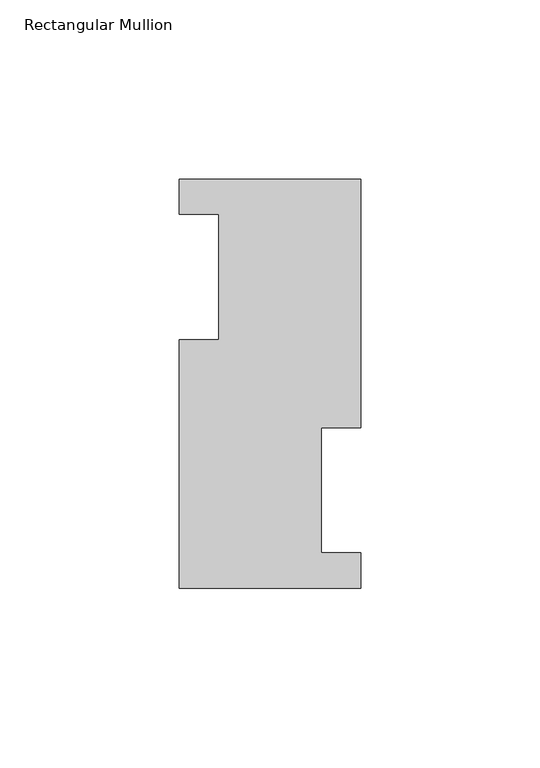
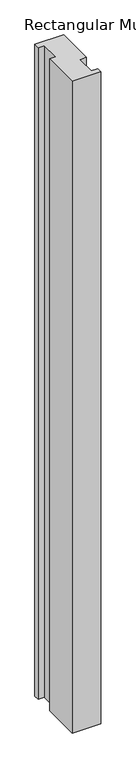
"""IFC4 building model written with IfcOpenShell, lengths in millimetres: member geometry, Rectangular Mullion."""

from ifc_helpers import new_model, si_unit, frame, origin, place, context, project, spatial, polyline, outline, extrude, source, transform, mapped, element, save


def rectangular_mullion_8200c396(model_context):
    return source(origin(), model_context, "Body", "SweptSolid", [
        extrude(outline(polyline([(25.4, 114.0729875), (25.4, 44.6039875), (14.2875, 44.6039875), (14.2875, 9.6789875), (25.4, 9.6789875), (25.4, -0.2270125), (-25.4, -0.2270125), (-25.4, 69.2419875), (-14.2875, 69.2419875), (-14.2875, 104.1669875), (-25.4, 104.1669875), (-25.4, 114.0729875), (25.4, 114.0729875)])), frame((0.0, 0.0, -1219.2), z_axis=(0.0, 0.0, 1.0), x_axis=(1.0, 0.0, 0.0)), (0.0, 0.0, 1.0), 1219.2),
    ])


if __name__ == "__main__":
    model = new_model("IFC4")
    model_context = context("Model", 3, world=origin())
    ifc_project = project(units=[si_unit("LENGTHUNIT", "METRE", prefix="MILLI")], contexts=[model_context])
    site = spatial("IfcSite", under=ifc_project)
    building = spatial("IfcBuilding", under=site)
    placement = place(None, origin())
    rectangular_mullion_shape = rectangular_mullion_8200c396(model_context)
    element("IfcMember", 1, ObjectType="Rectangular Mullion", at=placement, inside=building, context=model_context, shape_type="MappedRepresentation", body=[
        mapped(rectangular_mullion_shape, transform((0.0, 0.0, 0.0), x_axis=(1.0, 0.0, 0.0), y_axis=(0.0, 1.0, 0.0), z_axis=(0.0, 0.0, 1.0))),
    ])
    save(model, "model.ifc")
